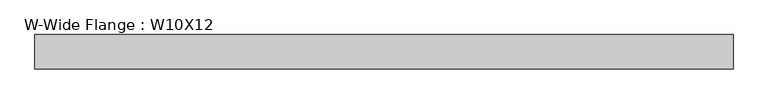
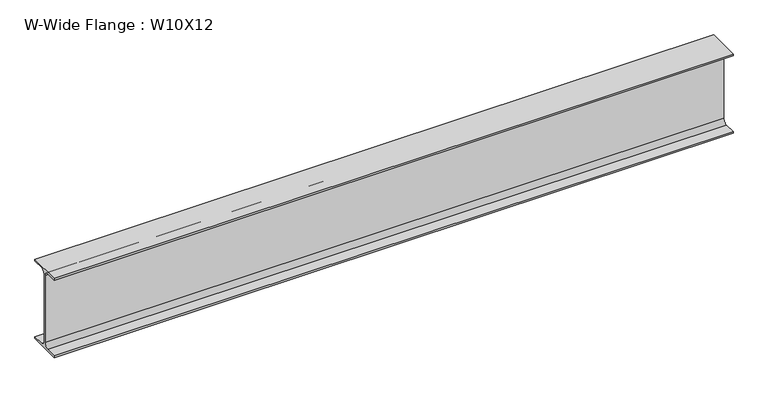
"""IFC4 building model written with IfcOpenShell, lengths in millimetres: beam geometry, W-Wide Flange : W10X12."""

from ifc_helpers import new_model, si_unit, point, frame, frame_2d, origin, place, context, project, spatial, polyline, circle_curve, trimmed, segment, composite_curve, outline, extrude, source, transform, mapped, element, save


def w_wide_flange_w10x12_a28acd70(model_context):
    return source(origin(), model_context, "Body", "SweptSolid", [
        extrude(outline(composite_curve([segment(polyline([(50.3039062, -120.0050781), (50.3039062, -125.3628906), (-50.3039063, -125.3628906), (-50.3039063, -120.0050781), (-16.1230469, -120.0050781)]), True, "CONTINUOUS"), segment(trimmed(circle_curve(frame_2d((-16.1230469, -106.3128906)), 13.6921875), [point((-16.1230469, -120.0050781))], [point((-2.4308594, -106.3128906))], True, "CARTESIAN"), True, "CONTINUOUS"), segment(polyline([(-2.4308594, -106.3128906), (-2.4308594, 106.3128906)]), True, "CONTINUOUS"), segment(trimmed(circle_curve(frame_2d((-16.1230469, 106.3128906)), 13.6921875), [point((-2.4308594, 106.3128906))], [point((-16.1230469, 120.0050781))], True, "CARTESIAN"), True, "CONTINUOUS"), segment(polyline([(-16.1230469, 120.0050781), (-50.3039063, 120.0050781), (-50.3039063, 125.3628906), (50.3039062, 125.3628906), (50.3039062, 120.0050781), (16.1230469, 120.0050781)]), True, "CONTINUOUS"), segment(trimmed(circle_curve(frame_2d((16.1230469, 106.3128906)), 13.6921875), [point((16.1230469, 120.0050781))], [point((2.4308594, 106.3128906))], True, "CARTESIAN"), True, "CONTINUOUS"), segment(polyline([(2.4308594, 106.3128906), (2.4308594, -106.3128906)]), True, "CONTINUOUS"), segment(trimmed(circle_curve(frame_2d((16.1230469, -106.3128906)), 13.6921875), [point((2.4308594, -106.3128906))], [point((16.1230469, -120.0050781))], True, "CARTESIAN"), True, "CONTINUOUS"), segment(polyline([(16.1230469, -120.0050781), (50.3039062, -120.0050781)]), True, "CONTINUOUS")], self_intersect=False)), frame((-1022.35, 0.0, 0.0), z_axis=(1.0, 0.0, 0.0), x_axis=(0.0, 1.0, 0.0)), (0.0, 0.0, 1.0), 2032.0),
    ])


if __name__ == "__main__":
    model = new_model("IFC4")
    model_context = context("Model", 3, world=origin())
    ifc_project = project(units=[si_unit("LENGTHUNIT", "METRE", prefix="MILLI")], contexts=[model_context])
    site = spatial("IfcSite", under=ifc_project)
    building = spatial("IfcBuilding", under=site)
    placement = place(None, origin())
    w_wide_flange_w10x12_shape = w_wide_flange_w10x12_a28acd70(model_context)
    element("IfcBeam", 1, ObjectType="W-Wide Flange : W10X12", at=placement, inside=building, context=model_context, shape_type="MappedRepresentation", body=[
        mapped(w_wide_flange_w10x12_shape, transform((0.0, 0.0, 0.0), x_axis=(1.0, 0.0, 0.0), y_axis=(0.0, 1.0, 0.0), z_axis=(0.0, 0.0, 1.0))),
    ])
    save(model, "model.ifc")
